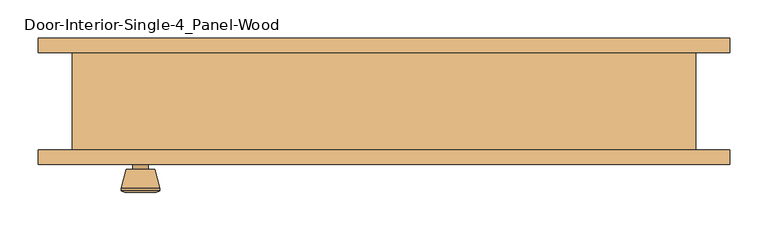
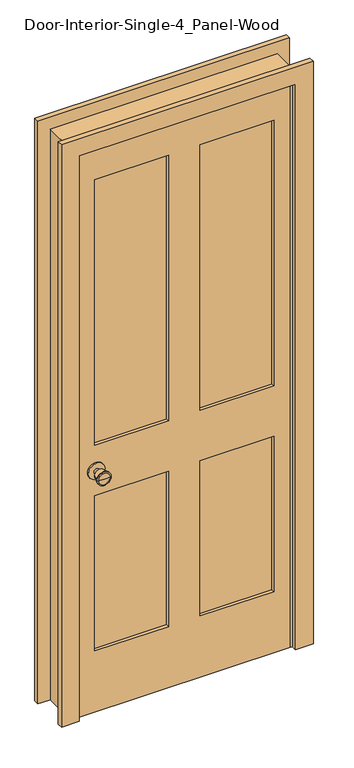
"""IFC4 building model written with IfcOpenShell, lengths in millimetres: door geometry, Door-Interior-Single-4_Panel-Wood."""

from ifc_helpers import new_model, si_unit, point, frame, frame_2d, origin, place, context, project, spatial, polyline, circle_curve, trimmed, segment, composite_curve, outline, extrude, faceted_brep, source, transform, mapped, element, save
from ifc_brep_helpers import plane_surface, cylinder_surface, revolved_surface, advanced_brep


def door_interior_single_4_panel_wood_dd4f2e7d(model_context):
    return source(origin(), model_context, "Body", "SolidModel", [
        advanced_brep(
        [(-317.5, -19.4, 914.4), (-327.5, -19.4, 914.4), (-307.5, -19.4, 914.4), (-297.0241324, 29.6, 914.4), (-337.9758676, 29.6, 914.4), (-317.5, 29.6, 914.4), (-292.5, 27.7721319, 914.4), (-342.5, 27.7721319, 914.4), (-292.5, 24.3084537, 914.4), (-342.5, 24.3084537, 914.4), (-298.863764, -0.4, 914.4), (-336.136236, -0.4, 914.4), (-307.5, -0.4, 914.4), (-327.5, -0.4, 914.4)],
        [
            (0, 1),
            (1, 2, circle_curve(frame((-317.5, -19.4, 914.4), z_axis=(0.0, -1.0, 0.0), x_axis=(-1.0, 0.0, 0.0)), 10.0)),
            (2, 0),
            (2, 1, circle_curve(frame((-317.5, -19.4, 914.4), z_axis=(0.0, -1.0, 0.0), x_axis=(-1.0, 0.0, 0.0)), 10.0)),
            (3, 4, circle_curve(frame((-317.5, 29.6, 914.4), z_axis=(0.0, 1.0, 0.0), x_axis=(-1.0, 0.0, 0.0)), 20.4758676)),
            (4, 5),
            (5, 3),
            (4, 3, circle_curve(frame((-317.5, 29.6, 914.4), z_axis=(0.0, 1.0, 0.0), x_axis=(-1.0, 0.0, 0.0)), 20.4758676)),
            (6, 7, circle_curve(frame((-317.5, 27.7721319, 914.4), z_axis=(0.0, 1.0, 0.0), x_axis=(-1.0, 0.0, 0.0)), 25.0)),
            (7, 4),
            (3, 6),
            (7, 6, circle_curve(frame((-317.5, 27.7721319, 914.4), z_axis=(0.0, 1.0, 0.0), x_axis=(-1.0, 0.0, 0.0)), 25.0)),
            (8, 9, circle_curve(frame((-317.5, 24.3084537, 914.4), z_axis=(0.0, 1.0, 0.0), x_axis=(-1.0, 0.0, 0.0)), 25.0)),
            (9, 7),
            (6, 8),
            (9, 8, circle_curve(frame((-317.5, 24.3084537, 914.4), z_axis=(0.0, 1.0, 0.0), x_axis=(-1.0, 0.0, 0.0)), 25.0)),
            (10, 11, circle_curve(frame((-317.5, -0.4, 914.4), z_axis=(0.0, 1.0, 0.0), x_axis=(-1.0, 0.0, 0.0)), 18.636236)),
            (11, 9),
            (8, 10),
            (11, 10, circle_curve(frame((-317.5, -0.4, 914.4), z_axis=(0.0, 1.0, 0.0), x_axis=(-1.0, 0.0, 0.0)), 18.636236)),
            (12, 13, circle_curve(frame((-317.5, -0.4, 914.4), z_axis=(0.0, 1.0, 0.0), x_axis=(-1.0, 0.0, 0.0)), 10.0)),
            (13, 11),
            (10, 12),
            (13, 12, circle_curve(frame((-317.5, -0.4, 914.4), z_axis=(0.0, 1.0, 0.0), x_axis=(-1.0, 0.0, 0.0)), 10.0)),
            (1, 13),
            (12, 2),
        ],
        [
            plane_surface(frame((-317.5, -19.4, 914.4), z_axis=(0.0, -1.0, 0.0), x_axis=(-1.0, 0.0, 0.0))),
            plane_surface(frame((-317.5, 29.6, 914.4), z_axis=(0.0, 1.0, 0.0), x_axis=(-1.0, 0.0, 0.0))),
            revolved_surface(polyline([(-337.9758676, 29.6, 914.4), (-342.5, 27.7721319, 914.4)]), (-317.5, -19.4, 914.4), (0.0, -1.0, 0.0)),
            cylinder_surface(frame((-317.5, -19.4, 914.4), z_axis=(0.0, -1.0, 0.0), x_axis=(-1.0, 0.0, 0.0)), 25.0),
            revolved_surface(polyline([(-342.5, 24.3084537, 914.4), (-336.136236, -0.4, 914.4)]), (-317.5, -19.4, 914.4), (0.0, -1.0, 0.0)),
            plane_surface(frame((-317.5, -0.4, 914.4), z_axis=(0.0, -1.0, 0.0), x_axis=(-1.0, 0.0, 0.0))),
            cylinder_surface(frame((-317.5, -19.4, 914.4), z_axis=(0.0, -1.0, 0.0), x_axis=(-1.0, 0.0, 0.0)), 10.0),
        ],
        [
            (0, [[1, 2, 3]]),
            (0, [[-3, 4, -1]]),
            (1, [[5, 6, 7]]),
            (1, [[8, -7, -6]]),
            (2, [[9, 10, -5, 11]]),
            (2, [[12, -11, -8, -10]]),
            (3, [[13, 14, -9, 15]]),
            (3, [[16, -15, -12, -14]]),
            (4, [[17, 18, -13, 19]]),
            (4, [[20, -19, -16, -18]]),
            (5, [[21, 22, -17, 23]]),
            (5, [[24, -23, -20, -22]]),
            (6, [[-2, 25, -21, 26]]),
            (6, [[-4, -26, -24, -25]]),
        ],
    ),
        extrude(outline(composite_curve([segment(trimmed(circle_curve(frame_2d((914.4, -317.5)), 30.0), [point((914.4, -347.5))], [point((914.4, -287.5))], False, "CARTESIAN"), True, "CONTINUOUS"), segment(trimmed(circle_curve(frame_2d((914.4, -317.5)), 30.0), [point((914.4, -287.5))], [point((914.4, -347.5))], False, "CARTESIAN"), True, "CONTINUOUS")], self_intersect=False)), frame((0.0, -25.4, 0.0), z_axis=(0.0, 1.0, 0.0), x_axis=(0.0, 0.0, 1.0)), (0.0, 0.0, 1.0), 6.0),
        advanced_brep(
        [(-317.5, -66.325, 914.4), (-307.5, -66.325, 914.4), (-327.5, -66.325, 914.4), (-297.0241324, -115.325, 914.4), (-317.5, -115.325, 914.4), (-337.9758676, -115.325, 914.4), (-292.5, -113.4971319, 914.4), (-342.5, -113.4971319, 914.4), (-292.5, -110.0334537, 914.4), (-342.5, -110.0334537, 914.4), (-298.863764, -85.325, 914.4), (-336.136236, -85.325, 914.4), (-307.5, -85.325, 914.4), (-327.5, -85.325, 914.4)],
        [
            (0, 1),
            (1, 2, circle_curve(frame((-317.5, -66.325, 914.4), z_axis=(0.0, 1.0, 0.0), x_axis=(-1.0, 0.0, 0.0)), 10.0)),
            (2, 0),
            (2, 1, circle_curve(frame((-317.5, -66.325, 914.4), z_axis=(0.0, 1.0, 0.0), x_axis=(-1.0, 0.0, 0.0)), 10.0)),
            (3, 4),
            (4, 5),
            (5, 3, circle_curve(frame((-317.5, -115.325, 914.4), z_axis=(0.0, -1.0, 0.0), x_axis=(-1.0, 0.0, 0.0)), 20.4758676)),
            (3, 5, circle_curve(frame((-317.5, -115.325, 914.4), z_axis=(0.0, -1.0, 0.0), x_axis=(-1.0, 0.0, 0.0)), 20.4758676)),
            (6, 3),
            (5, 7),
            (7, 6, circle_curve(frame((-317.5, -113.4971319, 914.4), z_axis=(0.0, -1.0, 0.0), x_axis=(-1.0, 0.0, 0.0)), 25.0)),
            (6, 7, circle_curve(frame((-317.5, -113.4971319, 914.4), z_axis=(0.0, -1.0, 0.0), x_axis=(-1.0, 0.0, 0.0)), 25.0)),
            (8, 6),
            (7, 9),
            (9, 8, circle_curve(frame((-317.5, -110.0334537, 914.4), z_axis=(0.0, -1.0, 0.0), x_axis=(-1.0, 0.0, 0.0)), 25.0)),
            (8, 9, circle_curve(frame((-317.5, -110.0334537, 914.4), z_axis=(0.0, -1.0, 0.0), x_axis=(-1.0, 0.0, 0.0)), 25.0)),
            (10, 8),
            (9, 11),
            (11, 10, circle_curve(frame((-317.5, -85.325, 914.4), z_axis=(0.0, -1.0, 0.0), x_axis=(-1.0, 0.0, 0.0)), 18.636236)),
            (10, 11, circle_curve(frame((-317.5, -85.325, 914.4), z_axis=(0.0, -1.0, 0.0), x_axis=(-1.0, 0.0, 0.0)), 18.636236)),
            (12, 10),
            (11, 13),
            (13, 12, circle_curve(frame((-317.5, -85.325, 914.4), z_axis=(0.0, -1.0, 0.0), x_axis=(-1.0, 0.0, 0.0)), 10.0)),
            (12, 13, circle_curve(frame((-317.5, -85.325, 914.4), z_axis=(0.0, -1.0, 0.0), x_axis=(-1.0, 0.0, 0.0)), 10.0)),
            (1, 12),
            (13, 2),
        ],
        [
            plane_surface(frame((-317.5, -66.325, 914.4), z_axis=(0.0, 1.0, 0.0), x_axis=(-1.0, 0.0, 0.0))),
            plane_surface(frame((-317.5, -115.325, 914.4), z_axis=(0.0, -1.0, 0.0), x_axis=(-1.0, 0.0, 0.0))),
            revolved_surface(polyline([(-337.9758676, -115.325, 914.4), (-342.5, -113.4971319, 914.4)]), (-317.5, -66.325, 914.4), (0.0, 1.0, 0.0)),
            cylinder_surface(frame((-317.5, -66.325, 914.4), z_axis=(0.0, 1.0, 0.0), x_axis=(-1.0, 0.0, 0.0)), 25.0),
            revolved_surface(polyline([(-342.5, -110.0334537, 914.4), (-336.136236, -85.325, 914.4)]), (-317.5, -66.325, 914.4), (0.0, 1.0, 0.0)),
            plane_surface(frame((-317.5, -85.325, 914.4), z_axis=(0.0, 1.0, 0.0), x_axis=(-1.0, 0.0, 0.0))),
            cylinder_surface(frame((-317.5, -66.325, 914.4), z_axis=(0.0, 1.0, 0.0), x_axis=(-1.0, 0.0, 0.0)), 10.0),
        ],
        [
            (0, [[1, 2, 3]]),
            (0, [[-3, 4, -1]]),
            (1, [[5, 6, 7]]),
            (1, [[-6, -5, 8]]),
            (2, [[9, -7, 10, 11]]),
            (2, [[-10, -8, -9, 12]]),
            (3, [[13, -11, 14, 15]]),
            (3, [[-14, -12, -13, 16]]),
            (4, [[17, -15, 18, 19]]),
            (4, [[-18, -16, -17, 20]]),
            (5, [[21, -19, 22, 23]]),
            (5, [[-22, -20, -21, 24]]),
            (6, [[25, -23, 26, -2]]),
            (6, [[-26, -24, -25, -4]]),
        ],
    ),
        extrude(outline(composite_curve([segment(trimmed(circle_curve(frame_2d((914.4, -317.5)), 30.0), [point((914.4, -347.5))], [point((914.4, -287.5))], False, "CARTESIAN"), True, "CONTINUOUS"), segment(trimmed(circle_curve(frame_2d((914.4, -317.5)), 30.0), [point((914.4, -287.5))], [point((914.4, -347.5))], False, "CARTESIAN"), True, "CONTINUOUS")], self_intersect=False)), frame((0.0, -66.325, 0.0), z_axis=(0.0, 1.0, 0.0), x_axis=(0.0, 0.0, 1.0)), (0.0, 0.0, 1.0), 6.0),
        faceted_brep([(406.4, -60.325, 0.0), (381.0, -60.325, 0.0), (381.0, -25.4, 0.0), (368.3, -25.4, 0.0), (368.3, 9.525, 0.0), (381.0, 9.525, 0.0), (381.0, 66.675, 0.0), (406.4, 66.675, 0.0), (406.4, 66.675, 2159.0), (406.4, -60.325, 2159.0), (381.0, 66.675, 2133.6), (-381.0, 66.675, 2133.6), (-381.0, 66.675, 0.0), (-406.4, 66.675, 0.0), (-406.4, 66.675, 2159.0), (381.0, 9.525, 2133.6), (368.3, 9.525, 2120.9), (-368.3, 9.525, 2120.9), (-368.3, 9.525, 0.0), (-381.0, 9.525, 0.0), (-381.0, 9.525, 2133.6), (368.3, -25.4, 2120.9), (381.0, -25.4, 2133.6), (-381.0, -25.4, 2133.6), (-381.0, -25.4, 0.0), (-368.3, -25.4, 0.0), (-368.3, -25.4, 2120.9), (381.0, -60.325, 2133.6), (-406.4, -60.325, 2159.0), (-406.4, -60.325, 0.0), (-381.0, -60.325, 0.0), (-381.0, -60.325, 2133.6)], [[[0, 1, 2, 3, 4, 5, 6, 7]], [[7, 8, 9, 0]], [[6, 10, 11, 12, 13, 14, 8, 7]], [[5, 15, 10, 6]], [[4, 16, 17, 18, 19, 20, 15, 5]], [[3, 21, 16, 4]], [[2, 22, 23, 24, 25, 26, 21, 3]], [[1, 27, 22, 2]], [[0, 9, 28, 29, 30, 31, 27, 1]], [[8, 14, 28, 9]], [[15, 20, 11, 10]], [[21, 26, 17, 16]], [[27, 31, 23, 22]], [[29, 13, 12, 19, 18, 25, 24, 30]], [[14, 13, 29, 28]], [[20, 19, 12, 11]], [[26, 25, 18, 17]], [[31, 30, 24, 23]]]),
        extrude(outline(polyline([(2133.6, -381.0), (0.0, -381.0), (0.0, 381.0), (2133.6, 381.0), (2133.6, -381.0)]), holes=[polyline([(2014.5375, 57.15), (2014.5375, 320.675), (1009.65, 320.675), (1009.65, 57.15), (2014.5375, 57.15)]), polyline([(1009.65, -57.15), (1009.65, -320.675), (2014.5375, -320.675), (2014.5375, -57.15), (1009.65, -57.15)]), polyline([(819.15, 57.15), (819.15, 320.675), (231.775, 320.675), (231.775, 57.15), (819.15, 57.15)]), polyline([(231.775, -57.15), (231.775, -320.675), (819.15, -320.675), (819.15, -57.15), (231.775, -57.15)])]), frame((0.0, -60.325, 0.0), z_axis=(0.0, 1.0, 0.0), x_axis=(0.0, 0.0, 1.0)), (0.0, 0.0, 1.0), 34.925),
        extrude(outline(polyline([(320.675, -37.0416667), (320.675, -48.6833333), (57.15, -48.6833333), (57.15, -37.0416667), (320.675, -37.0416667)])), frame((0.0, 0.0, 1009.65), z_axis=(0.0, 0.0, 1.0), x_axis=(1.0, 0.0, 0.0)), (0.0, 0.0, 1.0), 1004.8875),
        extrude(outline(polyline([(-57.15, -37.0416667), (-57.15, -48.6833333), (-320.675, -48.6833333), (-320.675, -37.0416667), (-57.15, -37.0416667)])), frame((0.0, 0.0, 1009.65), z_axis=(0.0, 0.0, 1.0), x_axis=(1.0, 0.0, 0.0)), (0.0, 0.0, 1.0), 1004.8875),
        extrude(outline(polyline([(320.675, -37.0416667), (320.675, -48.6833333), (57.15, -48.6833333), (57.15, -37.0416667), (320.675, -37.0416667)])), frame((0.0, 0.0, 231.775), z_axis=(0.0, 0.0, 1.0), x_axis=(1.0, 0.0, 0.0)), (0.0, 0.0, 1.0), 587.375),
        extrude(outline(polyline([(-57.15, -37.0416667), (-57.15, -48.6833333), (-320.675, -48.6833333), (-320.675, -37.0416667), (-57.15, -37.0416667)])), frame((0.0, 0.0, 231.775), z_axis=(0.0, 0.0, 1.0), x_axis=(1.0, 0.0, 0.0)), (0.0, 0.0, 1.0), 587.375),
        extrude(outline(polyline([(0.0, 450.85), (2203.45, 450.85), (2203.45, -450.85), (0.0, -450.85), (0.0, -387.35), (2139.95, -387.35), (2139.95, 387.35), (0.0, 387.35), (0.0, 450.85)])), frame((0.0, -79.375, 0.0), z_axis=(0.0, 1.0, 0.0), x_axis=(0.0, 0.0, 1.0)), (0.0, 0.0, 1.0), 19.05),
        extrude(outline(polyline([(0.0, 450.85), (2203.45, 450.85), (2203.45, -450.85), (0.0, -450.85), (0.0, -387.35), (2139.95, -387.35), (2139.95, 387.35), (0.0, 387.35), (0.0, 450.85)])), frame((0.0, 66.675, 0.0), z_axis=(0.0, 1.0, 0.0), x_axis=(0.0, 0.0, 1.0)), (0.0, 0.0, 1.0), 19.05),
    ])


if __name__ == "__main__":
    model = new_model("IFC4")
    model_context = context("Model", 3, world=origin())
    ifc_project = project(units=[si_unit("LENGTHUNIT", "METRE", prefix="MILLI")], contexts=[model_context])
    site = spatial("IfcSite", under=ifc_project)
    building = spatial("IfcBuilding", under=site)
    placement = place(None, origin())
    door_interior_single_4_panel_wood_shape = door_interior_single_4_panel_wood_dd4f2e7d(model_context)
    element("IfcDoor", 1, ObjectType="Door-Interior-Single-4_Panel-Wood", at=placement, inside=building, context=model_context, shape_type="MappedRepresentation", body=[
        mapped(door_interior_single_4_panel_wood_shape, transform((0.0, 0.0, 0.0), x_axis=(1.0, 0.0, 0.0), y_axis=(0.0, 1.0, 0.0), z_axis=(0.0, 0.0, 1.0))),
    ])
    save(model, "model.ifc")
